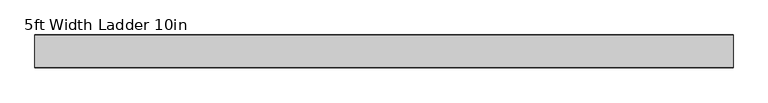
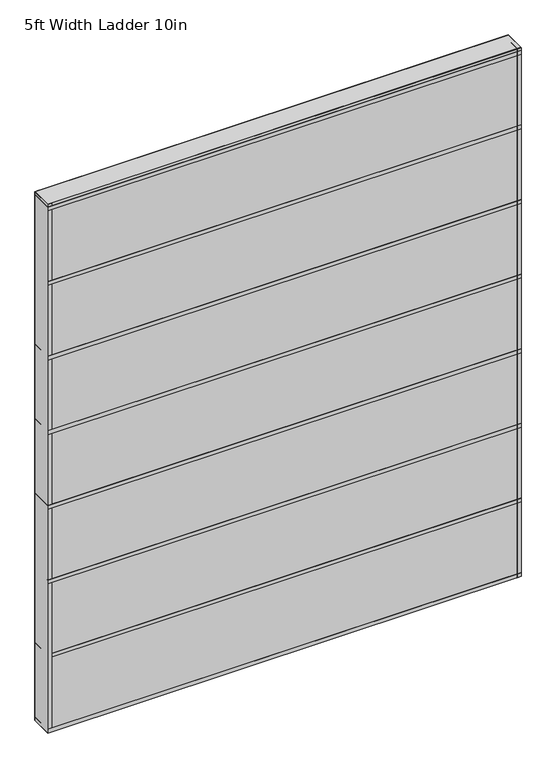
"""IFC4 building model written with IfcOpenShell, lengths in millimetres: plate geometry, 5ft Width Ladder 10in."""

from ifc_helpers import new_model, si_unit, frame, origin, origin_with_axes, place, context, project, spatial, polyline, outline, extrude, source, transform, mapped, element, save


def plate_5ft_width_ladder_10in_29fa1533(model_context):
    return source(origin(), model_context, "Body", "SweptSolid", [
        extrude(outline(polyline([(762.0, 34.925), (762.0, -34.925), (-762.0, -34.925), (-762.0, 34.925), (762.0, 34.925)])), origin_with_axes(), (0.0, 0.0, 1.0), 1799.8),
        extrude(outline(polyline([(762.0, 35.71875), (762.0, -35.71875), (-762.0, -35.71875), (-762.0, 35.71875), (762.0, 35.71875)])), frame((0.0, 0.0, 1778.0), z_axis=(0.0, 0.0, 1.0), x_axis=(1.0, 0.0, 0.0)), (0.0, 0.0, 1.0), 12.7),
        extrude(outline(polyline([(762.0, 35.71875), (762.0, -35.71875), (-762.0, -35.71875), (-762.0, 35.71875), (762.0, 35.71875)])), frame((0.0, 0.0, 1524.0), z_axis=(0.0, 0.0, 1.0), x_axis=(1.0, 0.0, 0.0)), (0.0, 0.0, 1.0), 12.7),
        extrude(outline(polyline([(762.0, 35.71875), (762.0, -35.71875), (-762.0, -35.71875), (-762.0, 35.71875), (762.0, 35.71875)])), frame((0.0, 0.0, 1270.0), z_axis=(0.0, 0.0, 1.0), x_axis=(1.0, 0.0, 0.0)), (0.0, 0.0, 1.0), 12.7),
        extrude(outline(polyline([(762.0, 35.71875), (762.0, -35.71875), (-762.0, -35.71875), (-762.0, 35.71875), (762.0, 35.71875)])), frame((0.0, 0.0, 1016.0), z_axis=(0.0, 0.0, 1.0), x_axis=(1.0, 0.0, 0.0)), (0.0, 0.0, 1.0), 12.7),
        extrude(outline(polyline([(762.0, 35.71875), (762.0, -35.71875), (-762.0, -35.71875), (-762.0, 35.71875), (762.0, 35.71875)])), frame((0.0, 0.0, 762.0), z_axis=(0.0, 0.0, 1.0), x_axis=(1.0, 0.0, 0.0)), (0.0, 0.0, 1.0), 12.7),
        extrude(outline(polyline([(762.0, 35.71875), (762.0, -35.71875), (-762.0, -35.71875), (-762.0, 35.71875), (762.0, 35.71875)])), frame((0.0, 0.0, 508.0), z_axis=(0.0, 0.0, 1.0), x_axis=(1.0, 0.0, 0.0)), (0.0, 0.0, 1.0), 12.7),
        extrude(outline(polyline([(762.0, 35.71875), (762.0, -35.71875), (-762.0, -35.71875), (-762.0, 35.71875), (762.0, 35.71875)])), origin_with_axes(), (0.0, 0.0, 1.0), 12.7),
        extrude(outline(polyline([(-749.3, 35.71875), (-749.3, -35.71875), (-762.0, -35.71875), (-762.0, 35.71875), (-749.3, 35.71875)])), origin_with_axes(), (0.0, 0.0, 1.0), 1799.8),
        extrude(outline(polyline([(762.0, 35.71875), (762.0, -35.71875), (-762.0, -35.71875), (-762.0, 35.71875), (762.0, 35.71875)])), frame((0.0, 0.0, 1787.1), z_axis=(0.0, 0.0, 1.0), x_axis=(1.0, 0.0, 0.0)), (0.0, 0.0, 1.0), 12.7),
        extrude(outline(polyline([(762.0, 35.71875), (762.0, -35.71875), (-762.0, -35.71875), (-762.0, 35.71875), (762.0, 35.71875)])), frame((0.0, 0.0, 254.0), z_axis=(0.0, 0.0, 1.0), x_axis=(1.0, 0.0, 0.0)), (0.0, 0.0, 1.0), 12.7),
        extrude(outline(polyline([(762.0, 35.71875), (762.0, -35.71875), (-762.0, -35.71875), (-762.0, 35.71875), (762.0, 35.71875)])), origin_with_axes(), (0.0, 0.0, 1.0), 12.7),
        extrude(outline(polyline([(762.0, 35.71875), (762.0, -35.71875), (749.3, -35.71875), (749.3, 35.71875), (762.0, 35.71875)])), origin_with_axes(), (0.0, 0.0, 1.0), 1799.8),
    ])


if __name__ == "__main__":
    model = new_model("IFC4")
    model_context = context("Model", 3, world=origin())
    ifc_project = project(units=[si_unit("LENGTHUNIT", "METRE", prefix="MILLI")], contexts=[model_context])
    site = spatial("IfcSite", under=ifc_project)
    building = spatial("IfcBuilding", under=site)
    placement = place(None, origin())
    plate_5ft_width_ladder_10in_shape = plate_5ft_width_ladder_10in_29fa1533(model_context)
    element("IfcPlate", 1, ObjectType="5ft Width Ladder 10in", at=placement, inside=building, context=model_context, shape_type="MappedRepresentation", body=[
        mapped(plate_5ft_width_ladder_10in_shape, transform((0.0, 0.0, 0.0), x_axis=(1.0, 0.0, 0.0), y_axis=(0.0, 1.0, 0.0), z_axis=(0.0, 0.0, 1.0))),
    ])
    save(model, "model.ifc")
